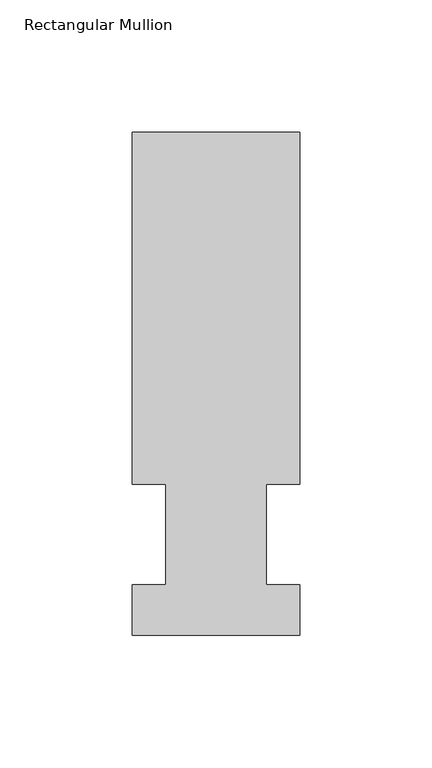
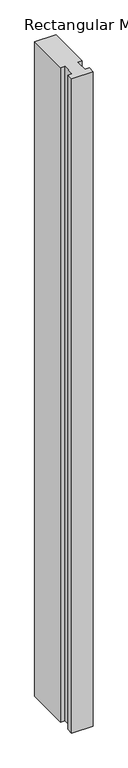
"""IFC4 building model written with IfcOpenShell, lengths in millimetres: member geometry, Rectangular Mullion."""

from ifc_helpers import new_model, si_unit, frame, origin, place, context, project, spatial, polyline, outline, extrude, source, transform, mapped, element, save


def rectangular_mullion_1ee219fa(model_context):
    return source(origin(), model_context, "Body", "SweptSolid", [
        extrude(outline(polyline([(31.75, 57.15), (19.05, 57.15), (19.05, 19.0500001), (31.7500005, 19.0500001), (31.7500005, -0.0137626), (-31.7499995, -0.0137626), (-31.7499995, 19.0500001), (-19.0500001, 19.0500001), (-19.0500001, 57.15), (-31.75, 57.15), (-31.75, 190.5000001), (31.75, 190.5000001), (31.75, 57.15)])), frame((0.0, 0.0, -2057.4), z_axis=(0.0, 0.0, 1.0), x_axis=(1.0, 0.0, 0.0)), (0.0, 0.0, 1.0), 2057.4),
    ])


if __name__ == "__main__":
    model = new_model("IFC4")
    model_context = context("Model", 3, world=origin())
    ifc_project = project(units=[si_unit("LENGTHUNIT", "METRE", prefix="MILLI")], contexts=[model_context])
    site = spatial("IfcSite", under=ifc_project)
    building = spatial("IfcBuilding", under=site)
    placement = place(None, origin())
    rectangular_mullion_shape = rectangular_mullion_1ee219fa(model_context)
    element("IfcMember", 1, ObjectType="Rectangular Mullion", at=placement, inside=building, context=model_context, shape_type="MappedRepresentation", body=[
        mapped(rectangular_mullion_shape, transform((0.0, 0.0, 0.0), x_axis=(1.0, 0.0, 0.0), y_axis=(0.0, 1.0, 0.0), z_axis=(0.0, 0.0, 1.0))),
    ])
    save(model, "model.ifc")
